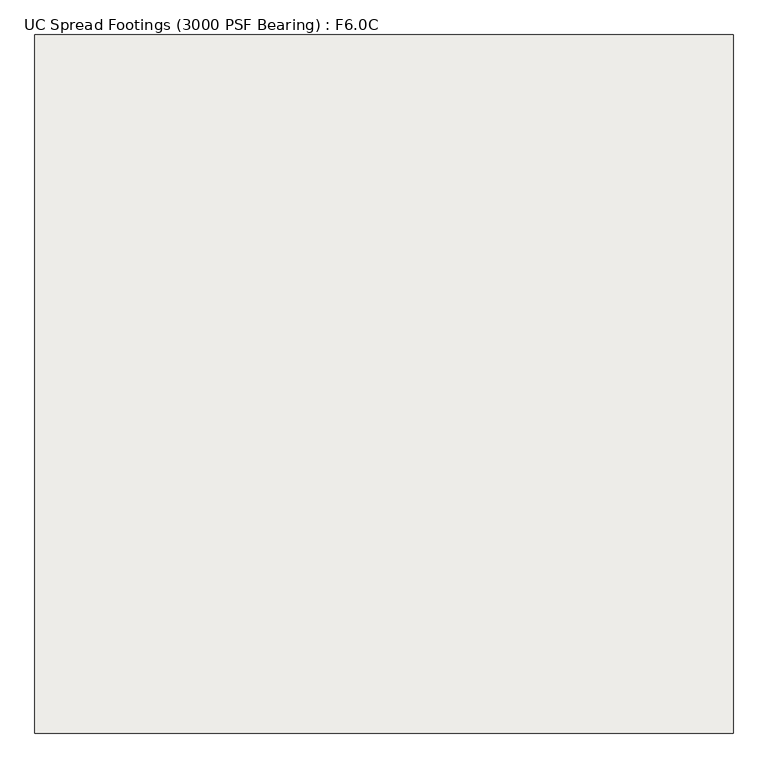
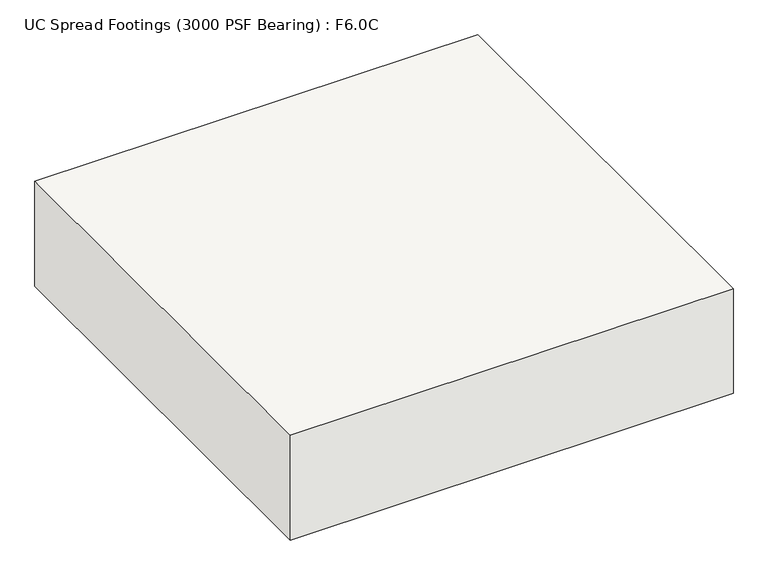
"""IFC4 building model written with IfcOpenShell, lengths in millimetres: slab geometry, UC Spread Footings (3000 PSF Bearing) : F6.0C."""

from ifc_helpers import new_model, si_unit, frame, origin, place, context, project, spatial, polyline, outline, extrude, source, transform, mapped, element, save


def uc_spread_footings_3000_psf_bearing_f6_0c_6d6a3403(model_context):
    return source(origin(), model_context, "Body", "SweptSolid", [
        extrude(outline(polyline([(914.4, 914.4), (914.4, -914.4), (-914.4, -914.4), (-914.4, 914.4), (914.4, 914.4)])), frame((0.0, 0.0, -457.2), z_axis=(0.0, 0.0, 1.0), x_axis=(1.0, 0.0, 0.0)), (0.0, 0.0, 1.0), 457.2),
    ])


if __name__ == "__main__":
    model = new_model("IFC4")
    model_context = context("Model", 3, world=origin())
    ifc_project = project(units=[si_unit("LENGTHUNIT", "METRE", prefix="MILLI")], contexts=[model_context])
    site = spatial("IfcSite", under=ifc_project)
    building = spatial("IfcBuilding", under=site)
    placement = place(None, origin())
    uc_spread_footings_3000_psf_bearing_f6_0c_shape = uc_spread_footings_3000_psf_bearing_f6_0c_6d6a3403(model_context)
    element("IfcSlab", 1, ObjectType="UC Spread Footings (3000 PSF Bearing) : F6.0C", at=placement, inside=building, context=model_context, shape_type="MappedRepresentation", body=[
        mapped(uc_spread_footings_3000_psf_bearing_f6_0c_shape, transform((0.0, 0.0, 0.0), x_axis=(1.0, 0.0, 0.0), y_axis=(0.0, 1.0, 0.0), z_axis=(0.0, 0.0, 1.0))),
    ])
    save(model, "model.ifc")
